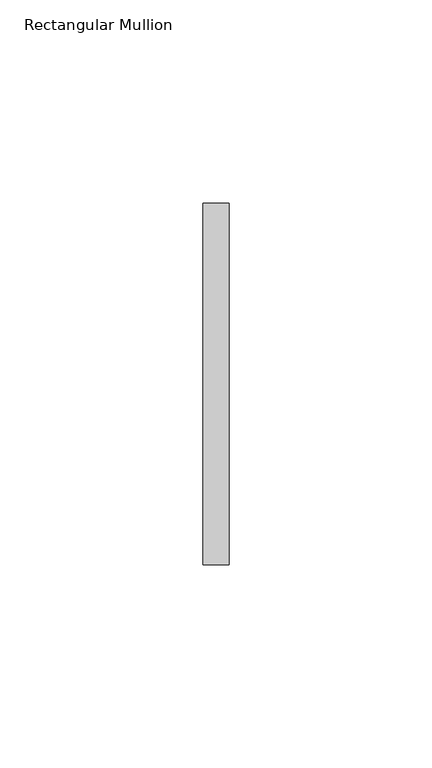
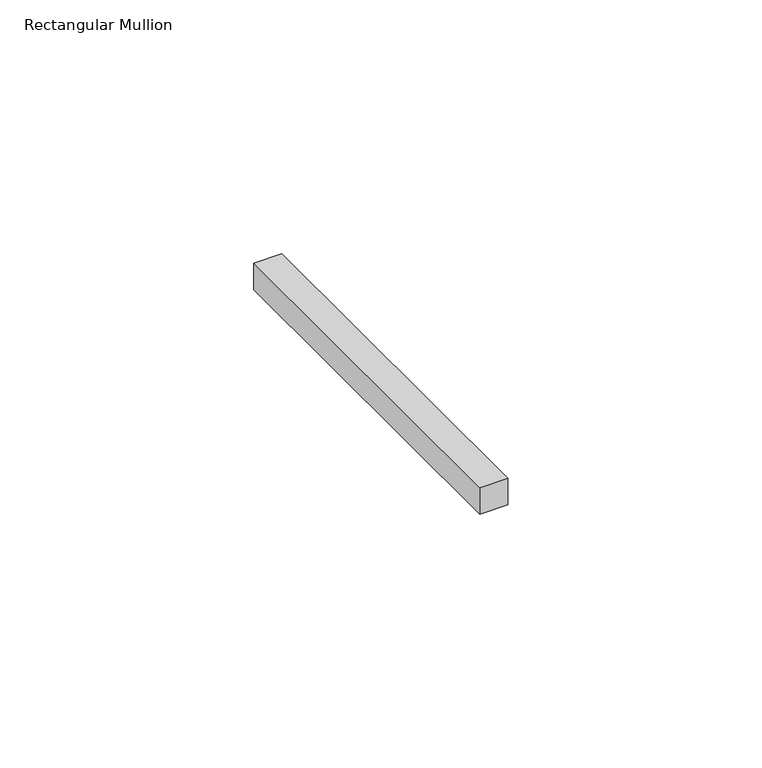
"""IFC4 building model written with IfcOpenShell, lengths in millimetres: member geometry, Rectangular Mullion."""

from ifc_helpers import new_model, si_unit, frame, origin, place, context, project, spatial, polyline, outline, extrude, source, transform, mapped, element, save


def rectangular_mullion_9859036e(model_context):
    return source(origin(), model_context, "Body", "SweptSolid", [
        extrude(outline(polyline([(0.0, 44.45), (0.0, -44.45), (-6.35, -44.45), (-6.35, 44.45), (0.0, 44.45)])), frame((0.0, 0.0, -6.35), z_axis=(0.0, 0.0, 1.0), x_axis=(1.0, 0.0, 0.0)), (0.0, 0.0, 1.0), 6.35),
    ])


if __name__ == "__main__":
    model = new_model("IFC4")
    model_context = context("Model", 3, world=origin())
    ifc_project = project(units=[si_unit("LENGTHUNIT", "METRE", prefix="MILLI")], contexts=[model_context])
    site = spatial("IfcSite", under=ifc_project)
    building = spatial("IfcBuilding", under=site)
    placement = place(None, origin())
    rectangular_mullion_shape = rectangular_mullion_9859036e(model_context)
    element("IfcMember", 1, ObjectType="Rectangular Mullion", at=placement, inside=building, context=model_context, shape_type="MappedRepresentation", body=[
        mapped(rectangular_mullion_shape, transform((0.0, 0.0, 0.0), x_axis=(1.0, 0.0, 0.0), y_axis=(0.0, 1.0, 0.0), z_axis=(0.0, 0.0, 1.0))),
    ])
    save(model, "model.ifc")
